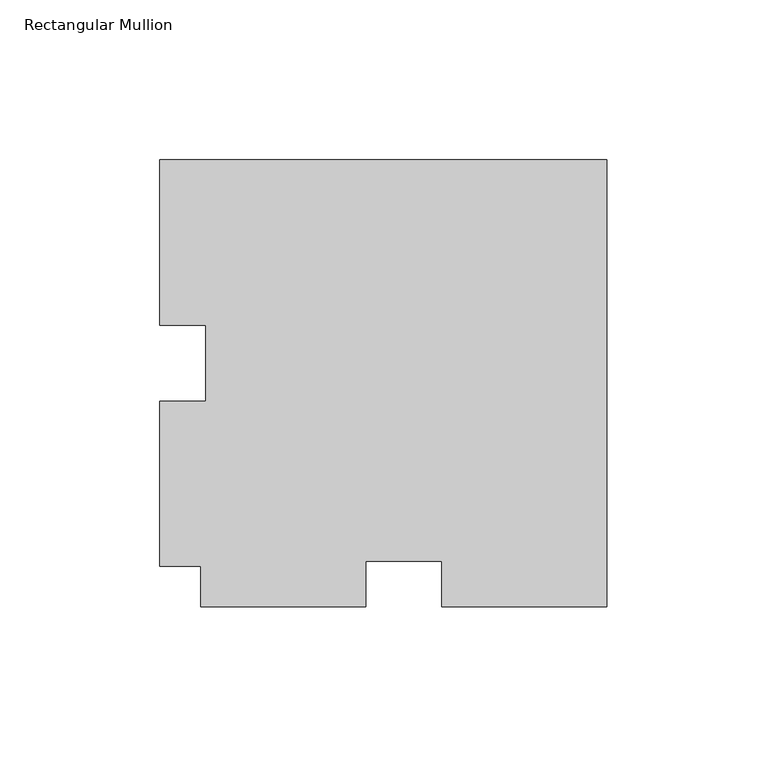
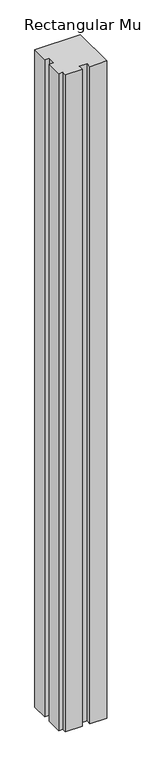
"""IFC4 building model written with IfcOpenShell, lengths in millimetres: member geometry, Rectangular Mullion."""

from ifc_helpers import new_model, si_unit, frame, origin, place, context, project, spatial, polyline, outline, extrude, source, transform, mapped, element, save


def rectangular_mullion_f3121788(model_context):
    return source(origin(), model_context, "Body", "SweptSolid", [
        extrude(outline(polyline([(-139.7, 127.00635), (0.0, 127.00635), (0.0, -12.69365), (-51.6001, -12.69365), (-51.6001, 1.59385), (-75.3999, 1.59385), (-75.3999, -12.69365), (-127.0, -12.69365), (-127.0, 0.00635), (-139.7, 0.00635), (-139.7, 51.60645), (-125.4125, 51.60645), (-125.4125, 75.40625), (-139.7, 75.40625), (-139.7, 127.00635)])), frame((0.0, 0.0, -2133.6), z_axis=(0.0, 0.0, 1.0), x_axis=(1.0, 0.0, 0.0)), (0.0, 0.0, 1.0), 2133.6),
    ])


if __name__ == "__main__":
    model = new_model("IFC4")
    model_context = context("Model", 3, world=origin())
    ifc_project = project(units=[si_unit("LENGTHUNIT", "METRE", prefix="MILLI")], contexts=[model_context])
    site = spatial("IfcSite", under=ifc_project)
    building = spatial("IfcBuilding", under=site)
    placement = place(None, origin())
    rectangular_mullion_shape = rectangular_mullion_f3121788(model_context)
    element("IfcMember", 1, ObjectType="Rectangular Mullion", at=placement, inside=building, context=model_context, shape_type="MappedRepresentation", body=[
        mapped(rectangular_mullion_shape, transform((0.0, 0.0, 0.0), x_axis=(1.0, 0.0, 0.0), y_axis=(0.0, 1.0, 0.0), z_axis=(0.0, 0.0, 1.0))),
    ])
    save(model, "model.ifc")
